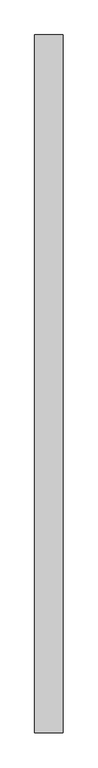
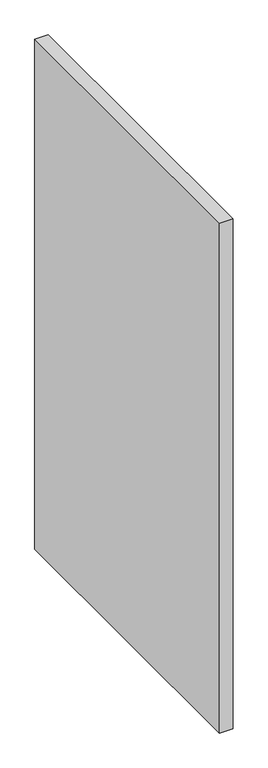
"""IFC4 building model written with IfcOpenShell, lengths in millimetres: proxy geometry."""

from ifc_helpers import new_model, si_unit, origin, origin_with_axes, place, context, project, spatial, polyline, outline, extrude, source, transform, mapped, element, save


def generic_models_64d3c8a2(model_context):
    return source(origin(), model_context, "Body", "SweptSolid", [
        extrude(outline(polyline([(90.0, 2200.0), (90.0, 0.0), (0.0, 0.0), (0.0, 2200.0), (90.0, 2200.0)])), origin_with_axes(), (0.0, 0.0, 1.0), 3700.0),
    ])


if __name__ == "__main__":
    model = new_model("IFC4")
    model_context = context("Model", 3, world=origin())
    ifc_project = project(units=[si_unit("LENGTHUNIT", "METRE", prefix="MILLI")], contexts=[model_context])
    site = spatial("IfcSite", under=ifc_project)
    building = spatial("IfcBuilding", under=site)
    placement = place(None, origin())
    generic_models_shape = generic_models_64d3c8a2(model_context)
    element("IfcBuildingElementProxy", 1, Name="Generic Models", at=placement, inside=building, context=model_context, shape_type="MappedRepresentation", body=[
        mapped(generic_models_shape, transform((0.0, 0.0, 0.0), x_axis=(1.0, 0.0, 0.0), y_axis=(0.0, 1.0, 0.0), z_axis=(0.0, 0.0, 1.0))),
    ])
    save(model, "model.ifc")
